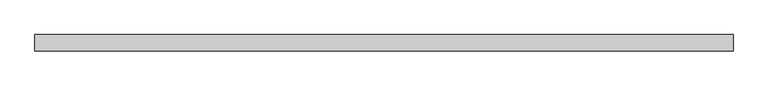
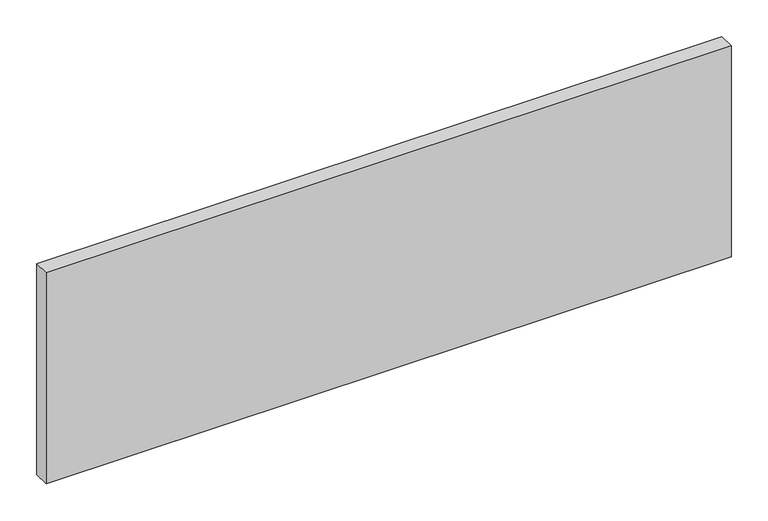
"""IFC4 building model written with IfcOpenShell, lengths in millimetres: plate geometry."""

from ifc_helpers import new_model, si_unit, origin, origin_with_axes, place, context, project, spatial, polyline, outline, extrude, source, transform, mapped, element, save


def plate_5dd07615(model_context):
    return source(origin(), model_context, "Body", "SweptSolid", [
        extrude(outline(polyline([(537.5, -12.5), (-537.5, -12.5), (-537.5, 12.5), (537.5, 12.5), (537.5, -12.5)])), origin_with_axes(), (0.0, 0.0, 1.0), 350.0),
    ])


if __name__ == "__main__":
    model = new_model("IFC4")
    model_context = context("Model", 3, world=origin())
    ifc_project = project(units=[si_unit("LENGTHUNIT", "METRE", prefix="MILLI")], contexts=[model_context])
    site = spatial("IfcSite", under=ifc_project)
    building = spatial("IfcBuilding", under=site)
    placement = place(None, origin())
    plate_shape = plate_5dd07615(model_context)
    element("IfcPlate", 1, at=placement, inside=building, context=model_context, shape_type="MappedRepresentation", body=[
        mapped(plate_shape, transform((0.0, 0.0, 0.0), x_axis=(1.0, 0.0, 0.0), y_axis=(0.0, 1.0, 0.0), z_axis=(0.0, 0.0, 1.0))),
    ])
    save(model, "model.ifc")
